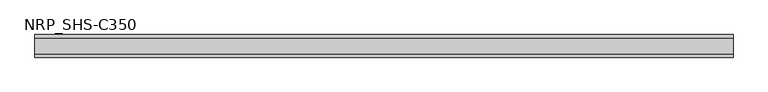
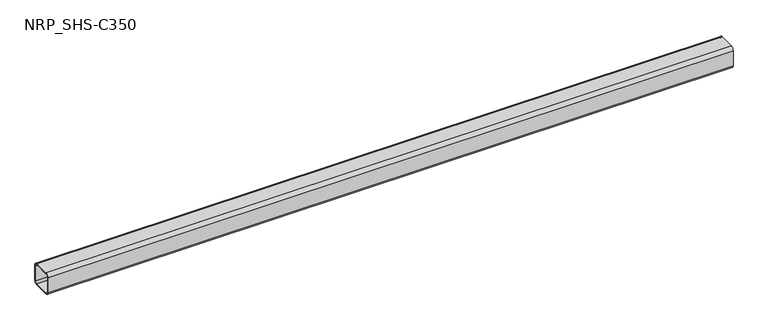
"""IFC4 building model written with IfcOpenShell, lengths in millimetres: member geometry, NRP_SHS-C350."""

from ifc_helpers import new_model, si_unit, point, frame, frame_2d, origin, place, context, project, spatial, polyline, circle_curve, trimmed, segment, composite_curve, outline, extrude, source, transform, mapped, element, save


def nrp_shs_c350_e78d60ca(model_context):
    return source(origin(), model_context, "Body", "SweptSolid", [
        extrude(outline(composite_curve([segment(polyline([(44.5, 32.0), (44.5, -32.0)]), True, "CONTINUOUS"), segment(trimmed(circle_curve(frame_2d((32.0, -32.0)), 12.5), [point((44.5, -32.0))], [point((32.0, -44.5))], False, "CARTESIAN"), True, "CONTINUOUS"), segment(polyline([(32.0, -44.5), (-32.0, -44.5)]), True, "CONTINUOUS"), segment(trimmed(circle_curve(frame_2d((-32.0, -32.0)), 12.5), [point((-32.0, -44.5))], [point((-44.5, -32.0))], False, "CARTESIAN"), True, "CONTINUOUS"), segment(polyline([(-44.5, -32.0), (-44.5, 32.0)]), True, "CONTINUOUS"), segment(trimmed(circle_curve(frame_2d((-32.0, 32.0)), 12.5), [point((-44.5, 32.0))], [point((-32.0, 44.5))], False, "CARTESIAN"), True, "CONTINUOUS"), segment(polyline([(-32.0, 44.5), (32.0, 44.5)]), True, "CONTINUOUS"), segment(trimmed(circle_curve(frame_2d((32.0, 32.0)), 12.5), [point((32.0, 44.5))], [point((44.5, 32.0))], False, "CARTESIAN"), True, "CONTINUOUS")], self_intersect=False), holes=[composite_curve([segment(trimmed(circle_curve(frame_2d((-32.0, 32.0)), 7.5), [point((-32.0, 39.5))], [point((-39.5, 32.0))], True, "CARTESIAN"), True, "CONTINUOUS"), segment(polyline([(-39.5, 32.0), (-39.5, -32.0)]), True, "CONTINUOUS"), segment(trimmed(circle_curve(frame_2d((-32.0, -32.0)), 7.5), [point((-39.5, -32.0))], [point((-32.0, -39.5))], True, "CARTESIAN"), True, "CONTINUOUS"), segment(polyline([(-32.0, -39.5), (32.0, -39.5)]), True, "CONTINUOUS"), segment(trimmed(circle_curve(frame_2d((32.0, -32.0)), 7.5), [point((32.0, -39.5))], [point((39.5, -32.0))], True, "CARTESIAN"), True, "CONTINUOUS"), segment(polyline([(39.5, -32.0), (39.5, 32.0)]), True, "CONTINUOUS"), segment(trimmed(circle_curve(frame_2d((32.0, 32.0)), 7.5), [point((39.5, 32.0))], [point((32.0, 39.5))], True, "CARTESIAN"), True, "CONTINUOUS"), segment(polyline([(32.0, 39.5), (-32.0, 39.5)]), True, "CONTINUOUS")], self_intersect=False)]), frame((-1372.0, 0.0, 0.0), z_axis=(1.0, 0.0, 0.0), x_axis=(0.0, 1.0, 0.0)), (0.0, 0.0, 1.0), 2744.0),
    ])


if __name__ == "__main__":
    model = new_model("IFC4")
    model_context = context("Model", 3, world=origin())
    ifc_project = project(units=[si_unit("LENGTHUNIT", "METRE", prefix="MILLI")], contexts=[model_context])
    site = spatial("IfcSite", under=ifc_project)
    building = spatial("IfcBuilding", under=site)
    placement = place(None, origin())
    nrp_shs_c350_shape = nrp_shs_c350_e78d60ca(model_context)
    element("IfcMember", 1, ObjectType="NRP_SHS-C350", at=placement, inside=building, context=model_context, shape_type="MappedRepresentation", body=[
        mapped(nrp_shs_c350_shape, transform((0.0, 0.0, 0.0), x_axis=(1.0, 0.0, 0.0), y_axis=(0.0, 1.0, 0.0), z_axis=(0.0, 0.0, 1.0))),
    ])
    save(model, "model.ifc")
